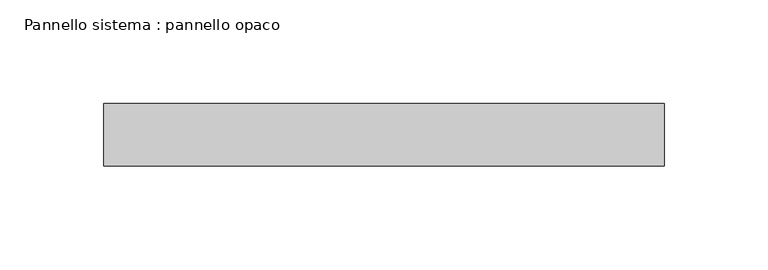
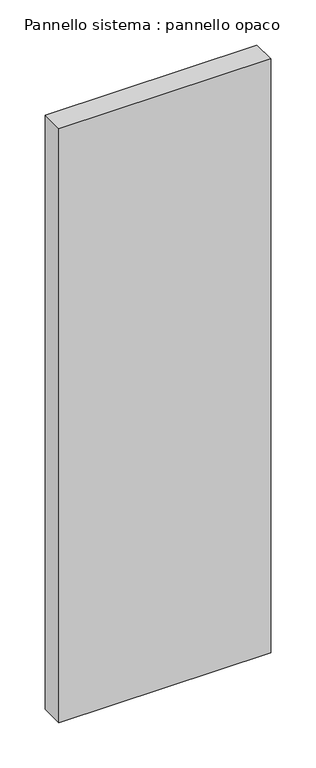
"""IFC4 building model written with IfcOpenShell, lengths in millimetres: plate geometry, Pannello sistema : pannello opaco."""

from ifc_helpers import new_model, si_unit, origin, origin_with_axes, place, context, project, spatial, polyline, outline, extrude, source, transform, mapped, element, save


def pannello_sistema_pannello_opaco_f8f8a297(model_context):
    return source(origin(), model_context, "Body", "SweptSolid", [
        extrude(outline(polyline([(134.8315586, -15.0), (-134.8315586, -15.0), (-134.8315586, 15.0), (134.8315586, 15.0), (134.8315586, -15.0)])), origin_with_axes(), (0.0, 0.0, 1.0), 800.0),
    ])


if __name__ == "__main__":
    model = new_model("IFC4")
    model_context = context("Model", 3, world=origin())
    ifc_project = project(units=[si_unit("LENGTHUNIT", "METRE", prefix="MILLI")], contexts=[model_context])
    site = spatial("IfcSite", under=ifc_project)
    building = spatial("IfcBuilding", under=site)
    placement = place(None, origin())
    pannello_sistema_pannello_opaco_shape = pannello_sistema_pannello_opaco_f8f8a297(model_context)
    element("IfcPlate", 1, ObjectType="Pannello sistema : pannello opaco", at=placement, inside=building, context=model_context, shape_type="MappedRepresentation", body=[
        mapped(pannello_sistema_pannello_opaco_shape, transform((0.0, 0.0, 0.0), x_axis=(1.0, 0.0, 0.0), y_axis=(0.0, 1.0, 0.0), z_axis=(0.0, 0.0, 1.0))),
    ])
    save(model, "model.ifc")
